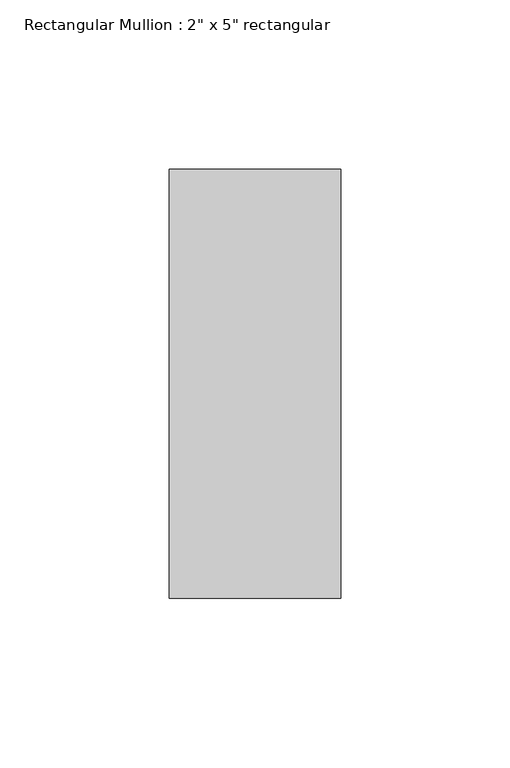
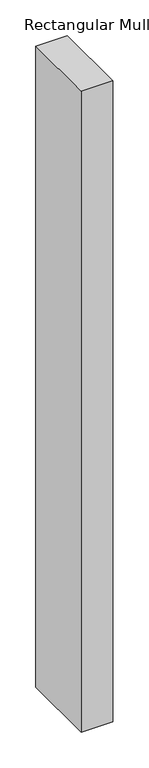
"""IFC4 building model written with IfcOpenShell, lengths in millimetres: member geometry."""

from ifc_helpers import new_model, si_unit, frame, origin, place, context, project, spatial, polyline, outline, extrude, source, transform, mapped, element, save


def member_d5ca970b(model_context):
    return source(origin(), model_context, "Body", "SweptSolid", [
        extrude(outline(polyline([(0.0, 63.5), (0.0, -63.5), (-50.8, -63.5), (-50.8, 63.5), (0.0, 63.5)])), frame((0.0, 0.0, -1092.2), z_axis=(0.0, 0.0, 1.0), x_axis=(1.0, 0.0, 0.0)), (0.0, 0.0, 1.0), 1092.2),
    ])


if __name__ == "__main__":
    model = new_model("IFC4")
    model_context = context("Model", 3, world=origin())
    ifc_project = project(units=[si_unit("LENGTHUNIT", "METRE", prefix="MILLI")], contexts=[model_context])
    site = spatial("IfcSite", under=ifc_project)
    building = spatial("IfcBuilding", under=site)
    placement = place(None, origin())
    member_shape = member_d5ca970b(model_context)
    element("IfcMember", 1, ObjectType="Rectangular Mullion : 2\" x 5\" rectangular", at=placement, inside=building, context=model_context, shape_type="MappedRepresentation", body=[
        mapped(member_shape, transform((0.0, 0.0, 0.0), x_axis=(1.0, 0.0, 0.0), y_axis=(0.0, 1.0, 0.0), z_axis=(0.0, 0.0, 1.0))),
    ])
    save(model, "model.ifc")
